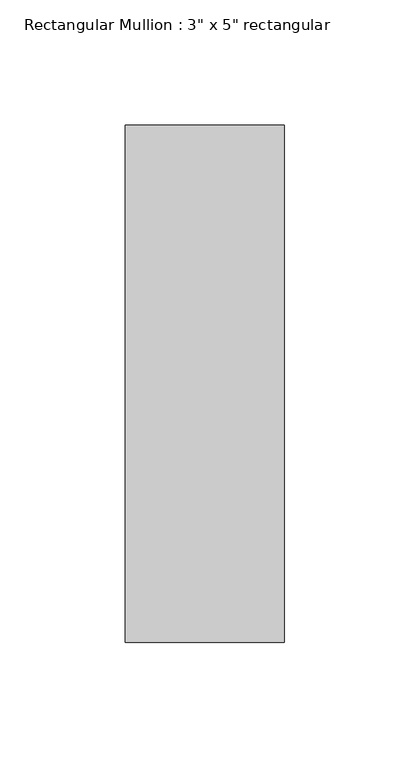
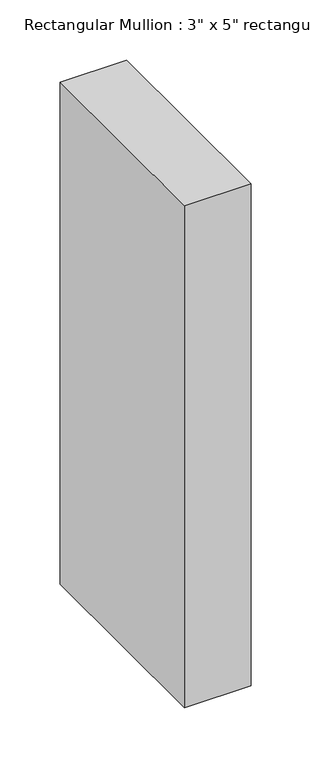
"""IFC4 building model written with IfcOpenShell, lengths in millimetres: member geometry."""

from ifc_helpers import new_model, si_unit, frame, origin, place, context, project, spatial, polyline, outline, extrude, source, transform, mapped, element, save


def member_1c95e940(model_context):
    return source(origin(), model_context, "Body", "SweptSolid", [
        extrude(outline(polyline([(31.75, 90.551), (31.75, -115.951), (-31.75, -115.951), (-31.75, 90.551), (31.75, 90.551)])), frame((0.0, 0.0, -508.0), z_axis=(0.0, 0.0, 1.0), x_axis=(1.0, 0.0, 0.0)), (0.0, 0.0, 1.0), 508.0),
    ])


if __name__ == "__main__":
    model = new_model("IFC4")
    model_context = context("Model", 3, world=origin())
    ifc_project = project(units=[si_unit("LENGTHUNIT", "METRE", prefix="MILLI")], contexts=[model_context])
    site = spatial("IfcSite", under=ifc_project)
    building = spatial("IfcBuilding", under=site)
    placement = place(None, origin())
    member_shape = member_1c95e940(model_context)
    element("IfcMember", 1, ObjectType="Rectangular Mullion : 3\" x 5\" rectangular", at=placement, inside=building, context=model_context, shape_type="MappedRepresentation", body=[
        mapped(member_shape, transform((0.0, 0.0, 0.0), x_axis=(1.0, 0.0, 0.0), y_axis=(0.0, 1.0, 0.0), z_axis=(0.0, 0.0, 1.0))),
    ])
    save(model, "model.ifc")
